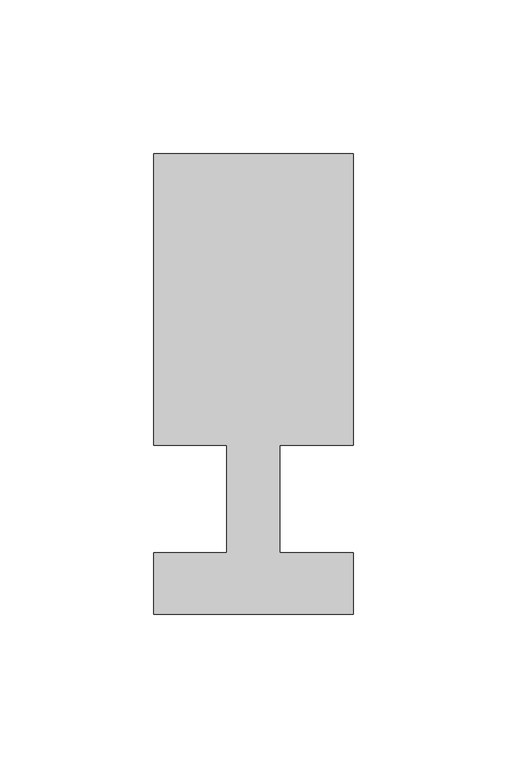
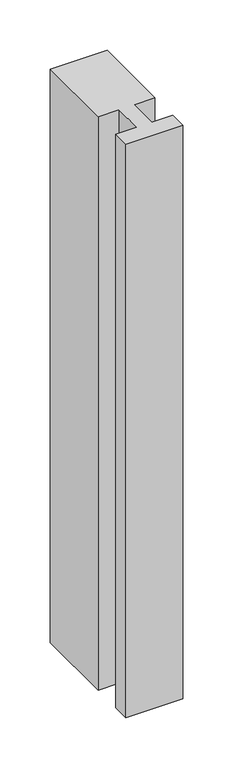
"""IFC4 building model written with IfcOpenShell, lengths in millimetres: member geometry."""

from ifc_helpers import new_model, si_unit, frame, origin, place, context, project, spatial, polyline, outline, extrude, source, transform, mapped, element, save


def member_b3034f72(model_context):
    return source(origin(), model_context, "Body", "SweptSolid", [
        extrude(outline(polyline([(-32.5, -37.0), (-32.5, -17.0), (-8.6875, -17.0), (-8.6875, 18.0), (-32.5, 18.0), (-32.5, 113.0), (32.5, 113.0), (32.5, 18.0), (8.6875, 18.0), (8.6875, -17.0), (32.5, -17.0), (32.5, -37.0), (-32.5, -37.0)])), frame((0.0, 0.0, -695.0), z_axis=(0.0, 0.0, 1.0), x_axis=(1.0, 0.0, 0.0)), (0.0, 0.0, 1.0), 695.0),
    ])


if __name__ == "__main__":
    model = new_model("IFC4")
    model_context = context("Model", 3, world=origin())
    ifc_project = project(units=[si_unit("LENGTHUNIT", "METRE", prefix="MILLI")], contexts=[model_context])
    site = spatial("IfcSite", under=ifc_project)
    building = spatial("IfcBuilding", under=site)
    placement = place(None, origin())
    member_shape = member_b3034f72(model_context)
    element("IfcMember", 1, at=placement, inside=building, context=model_context, shape_type="MappedRepresentation", body=[
        mapped(member_shape, transform((0.0, 0.0, 0.0), x_axis=(1.0, 0.0, 0.0), y_axis=(0.0, 1.0, 0.0), z_axis=(0.0, 0.0, 1.0))),
    ])
    save(model, "model.ifc")
